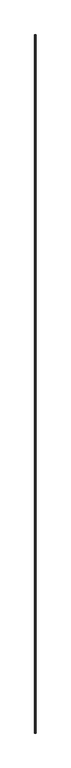
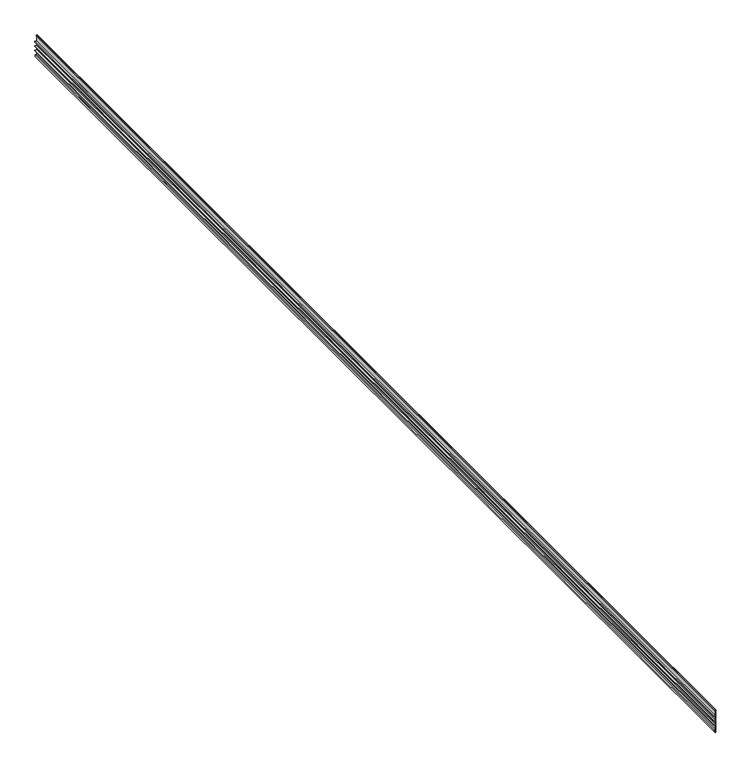
"""IFC4 building model written with IfcOpenShell, lengths in millimetres: proxy geometry."""

from ifc_helpers import new_model, si_unit, frame, origin, place, context, project, spatial, polyline, outline, extrude, source, transform, mapped, element, save


def generic_models_2d145eae(model_context):
    return source(origin(), model_context, "Body", "SweptSolid", [
        extrude(outline(polyline([(-3.175, 0.0), (0.0, 0.0), (3.175, 0.0), (3.175, -133.35), (0.0, -133.35), (0.0, -116.68125), (-4.9129905, -116.68125), (-4.9129905, -123.03125), (-8.8104385, -123.03125), (-8.8104385, -113.50625), (0.0, -113.50625), (0.0, -88.10625), (-9.525, -88.10625), (-9.525, -84.93125), (0.0, -84.93125), (0.0, -62.70625), (-9.525, -62.70625), (-9.525, -59.53125), (0.0, -59.53125), (0.0, -37.30625), (-9.525, -37.30625), (-9.525, -34.13125), (0.0, -34.13125), (0.0, -3.175), (-3.175, -3.175), (-3.175, 0.0)])), frame((38255.1648826, -18662.432989, 4165.606871), z_axis=(-4.724370228326713e-09, -1.0, 4.72437022832913e-09), x_axis=(1.0, -4.7243702283573275e-09, -6.480149750129167e-12)), (0.0, 0.0, 1.0), 6533.92),
    ])


if __name__ == "__main__":
    model = new_model("IFC4")
    model_context = context("Model", 3, world=origin())
    ifc_project = project(units=[si_unit("LENGTHUNIT", "METRE", prefix="MILLI")], contexts=[model_context])
    site = spatial("IfcSite", under=ifc_project)
    building = spatial("IfcBuilding", under=site)
    placement = place(None, origin())
    generic_models_shape = generic_models_2d145eae(model_context)
    element("IfcBuildingElementProxy", 1, Name="Generic Models", at=placement, inside=building, context=model_context, shape_type="MappedRepresentation", body=[
        mapped(generic_models_shape, transform((0.0, 0.0, 0.0), x_axis=(1.0, 0.0, 0.0), y_axis=(0.0, 1.0, 0.0), z_axis=(0.0, 0.0, 1.0))),
    ])
    save(model, "model.ifc")
